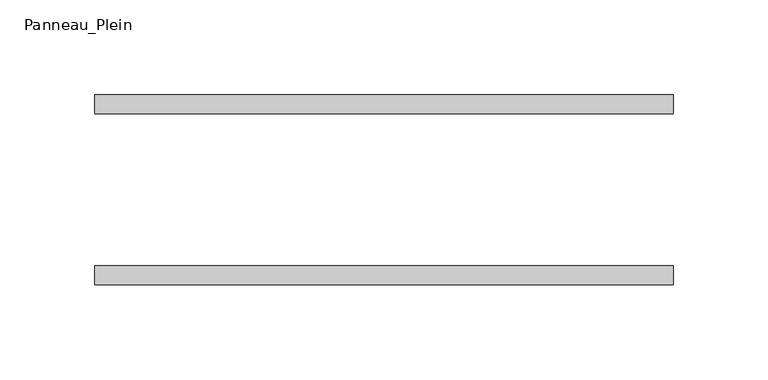
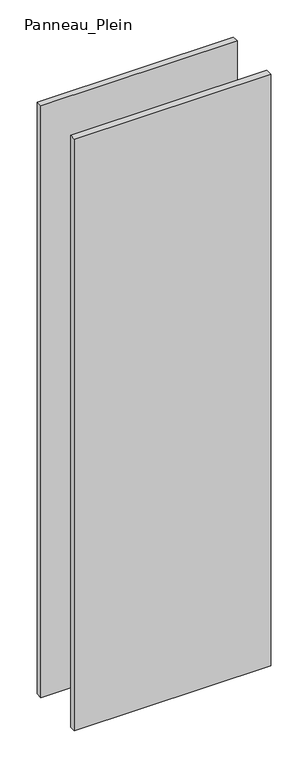
"""IFC4 building model written with IfcOpenShell, lengths in millimetres: plate geometry, Panneau_Plein."""

import ifcopenshell
import ifcopenshell.guid

model = None  # the IFC model being written
_history = None  # IfcOwnerHistory: only IFC2X3 demands one
_inside = {}  # id of a spatial element -> (the spatial element, [elements in it])
_under = {}  # id of a project, library or spatial element -> (it, [spatial elements below it])
_declared = {}  # id of a project -> (the project, [libraries it declares])
_typed = {}  # id of a type object -> (the type object, [elements of that type])
_made_of = {}  # id of a material, layer set ... -> (it, [elements and type objects made of it])


def new_model(schema):
    """Start an empty IFC model of exactly this schema.

    Asked for "IFC4X3", IfcOpenShell would pick the latest addendum, in which some entities
    have other attributes; the version numbers below select the first issue.
    IFC2X3 requires an IfcOwnerHistory on every rooted entity: one is made here for all.
    """
    global model, _history
    if schema == "IFC4X3":
        model = ifcopenshell.file(schema_version=(4, 3, 0, 0))
    else:
        model = ifcopenshell.file(schema=schema)
    _inside.clear()
    _under.clear()
    _declared.clear()
    _typed.clear()
    _made_of.clear()
    _history = None
    if model.schema == "IFC2X3":
        org = make("IfcOrganization", Name="unknown")
        user = make(
            "IfcPersonAndOrganization",
            ThePerson=make("IfcPerson", FamilyName="unknown"),
            TheOrganization=org,
        )
        app = make(
            "IfcApplication",
            ApplicationDeveloper=org,
            Version="unknown",
            ApplicationFullName="unknown",
            ApplicationIdentifier="unknown",
        )
        _history = make(
            "IfcOwnerHistory",
            OwningUser=user,
            OwningApplication=app,
            ChangeAction="ADDED",
            CreationDate=0,
        )
    return model


def make(cls, **values):
    """One entity of the class cls with the attributes given. An attribute that is None is left unset."""
    return model.create_entity(
        cls, **{name: value for name, value in values.items() if value is not None}
    )


def rooted(cls, **values):
    """An entity with a GlobalId (a new one), such as an element, a storey or a relation."""
    return make(cls, GlobalId=ifcopenshell.guid.new(), OwnerHistory=_history, **values)


def si_unit(unit_type, name, prefix=None):
    """IfcSIUnit, for example si_unit("LENGTHUNIT", "METRE", prefix="MILLI")."""
    return make("IfcSIUnit", UnitType=unit_type, Prefix=prefix, Name=name)


def assignment(units):
    """IfcUnitAssignment: the units of a project."""
    return None if units is None else make("IfcUnitAssignment", Units=units)


def point(xyz):
    """IfcCartesianPoint."""
    return None if xyz is None else make("IfcCartesianPoint", Coordinates=xyz)


def direction(xyz):
    """IfcDirection."""
    return None if xyz is None else make("IfcDirection", DirectionRatios=xyz)


def frame(location, z_axis=None, x_axis=None):
    """IfcAxis2Placement3D, a coordinate frame: its origin and axes. An axis left out is left unset."""
    return make(
        "IfcAxis2Placement3D",
        Location=point(location),
        Axis=direction(z_axis),
        RefDirection=direction(x_axis),
    )


def origin():
    """The frame at (0, 0, 0) with its axes left unset."""
    return frame((0.0, 0.0, 0.0))


def origin_with_axes():
    """The frame at (0, 0, 0) with the z axis (0, 0, 1) and the x axis (1, 0, 0) written out."""
    return frame((0.0, 0.0, 0.0), z_axis=(0.0, 0.0, 1.0), x_axis=(1.0, 0.0, 0.0))


def place(relative_to, where):
    """IfcLocalPlacement: puts the frame where relative to a parent placement (None: the world)."""
    return make(
        "IfcLocalPlacement", PlacementRelTo=relative_to, RelativePlacement=where
    )


def context(
    kind, dimensions, precision=None, world=None, true_north=None, identifier=None
):
    """IfcGeometricRepresentationContext, for example the 3D "Model" context."""
    return make(
        "IfcGeometricRepresentationContext",
        ContextIdentifier=identifier,
        ContextType=kind,
        CoordinateSpaceDimension=dimensions,
        Precision=precision,
        WorldCoordinateSystem=world,
        TrueNorth=true_north,
    )


def project(units=None, contexts=None):
    """IfcProject with its units and contexts."""
    return rooted(
        "IfcProject",
        Name="project",
        RepresentationContexts=contexts,
        UnitsInContext=assignment(units),
    )


def spatial(cls, under=None, at=None, **own):
    """A site, building, storey or space (cls), placed at a placement, below another one or the project."""
    s = rooted(cls, ObjectPlacement=at, **own)
    if under is not None:
        _under.setdefault(under.id(), (under, []))[1].append(s)
    return s


def polyline(points):
    """IfcPolyline through the points."""
    return make("IfcPolyline", Points=[point(p) for p in points])


def outline(outer, holes=None, kind="AREA"):
    """IfcArbitraryClosedProfileDef: a profile drawn as a closed curve; with holes, ...WithVoids."""
    if holes is None:
        return make("IfcArbitraryClosedProfileDef", ProfileType=kind, OuterCurve=outer)
    return make(
        "IfcArbitraryProfileDefWithVoids",
        ProfileType=kind,
        OuterCurve=outer,
        InnerCurves=holes,
    )


def extrude(swept, where, along, depth):
    """IfcExtrudedAreaSolid: the profile swept, set in the frame where, extruded along a direction by depth."""
    return make(
        "IfcExtrudedAreaSolid",
        SweptArea=swept,
        Position=where,
        ExtrudedDirection=direction(along),
        Depth=depth,
    )


def shape(context_of_items, identifier, shape_type, items):
    """IfcShapeRepresentation: the items that make up one representation, for example the "Body"."""
    return make(
        "IfcShapeRepresentation",
        ContextOfItems=context_of_items,
        RepresentationIdentifier=identifier,
        RepresentationType=shape_type,
        Items=items,
    )


def source(mapping_origin, context_of_items, identifier, shape_type, items):
    """IfcRepresentationMap: a shape defined once, which mapped items show again and again."""
    return make(
        "IfcRepresentationMap",
        MappingOrigin=mapping_origin,
        MappedRepresentation=shape(context_of_items, identifier, shape_type, items),
    )


def transform(
    local_origin,
    x_axis=None,
    y_axis=None,
    z_axis=None,
    scale=None,
    scale2=None,
    scale3=None,
    uniform=True,
):
    """IfcCartesianTransformationOperator3D, or its non-uniform kind. x_axis, y_axis, z_axis: its Axis1, 2, 3."""
    if uniform:
        return make(
            "IfcCartesianTransformationOperator3D",
            Axis1=direction(x_axis),
            Axis2=direction(y_axis),
            LocalOrigin=point(local_origin),
            Scale=scale,
            Axis3=direction(z_axis),
        )
    return make(
        "IfcCartesianTransformationOperator3DnonUniform",
        Axis1=direction(x_axis),
        Axis2=direction(y_axis),
        LocalOrigin=point(local_origin),
        Scale=scale,
        Axis3=direction(z_axis),
        Scale2=scale2,
        Scale3=scale3,
    )


def mapped(mapping_source, mapping_target):
    """IfcMappedItem: shows the shape of a source again, moved by a transform."""
    return make(
        "IfcMappedItem", MappingSource=mapping_source, MappingTarget=mapping_target
    )


def made_of(thing, what):
    """Note that an element or type object is made of a material, layer set ...; save() writes the relation."""
    if what is not None:
        _made_of.setdefault(what.id(), (what, []))[1].append(thing)
    return thing


def element(
    cls,
    number,
    at=None,
    inside=None,
    cuts=None,
    type_object=None,
    material=None,
    context=None,
    identifier="Body",
    shape_type=None,
    held_by="IfcProductDefinitionShape",
    body=None,
    shapes=None,
    **own,
):
    """One element of the class cls, such as IfcWall. Its Tag is "e" and its number.

    at: its placement. inside: the storey or other place that contains it. cuts: it is an
    opening in that element (IfcRelVoidsElement). A single representation is given by context,
    identifier, shape_type and body (its items); several are given by shapes. held_by: the class
    of the entity that holds the representations. save() writes the other relations.
    """
    e = rooted(cls, Tag="e%d" % number, ObjectPlacement=at, **own)
    if body is not None:
        shapes = [shape(context, identifier, shape_type, body)]
    if shapes is not None:
        e.Representation = make(held_by, Representations=shapes)
    if inside is not None:
        _inside.setdefault(inside.id(), (inside, []))[1].append(e)
    if cuts is not None:
        rooted(
            "IfcRelVoidsElement", RelatingBuildingElement=cuts, RelatedOpeningElement=e
        )
    if type_object is not None:
        _typed.setdefault(type_object.id(), (type_object, []))[1].append(e)
    return made_of(e, material)


def aggregate(whole, parts):
    """IfcRelAggregates: a whole, such as a stair, and the parts it consists of."""
    return rooted("IfcRelAggregates", RelatingObject=whole, RelatedObjects=parts)


def save(model, path):
    """Write the relations noted so far, then the file.

    IfcRelAggregates (storeys below a building ...), IfcRelContainedInSpatialStructure (elements
    in a storey), IfcRelDefinesByType, IfcRelAssociatesMaterial and IfcRelDeclares: one each for
    every whole, place, type object, material and project.
    """
    for whole, parts in _under.values():
        aggregate(whole, parts)
    for where, things in _inside.values():
        rooted(
            "IfcRelContainedInSpatialStructure",
            RelatedElements=things,
            RelatingStructure=where,
        )
    for kind, things in _typed.values():
        rooted("IfcRelDefinesByType", RelatedObjects=things, RelatingType=kind)
    for what, things in _made_of.values():
        rooted("IfcRelAssociatesMaterial", RelatedObjects=things, RelatingMaterial=what)
    for by, libraries in _declared.values():
        rooted("IfcRelDeclares", RelatingContext=by, RelatedDefinitions=libraries)
    model.write(path)


def panneau_plein_84d7ac02(model_context):
    return source(origin(), model_context, "Body", "SweptSolid", [
        extrude(outline(polyline([(152.2777546, 50.0), (152.2777546, 40.0), (-152.2777546, 40.0), (-152.2777546, 50.0), (152.2777546, 50.0)])), origin_with_axes(), (0.0, 0.0, 1.0), 971.1805856),
        extrude(outline(polyline([(152.2777546, -40.0), (152.2777546, -50.0), (-152.2777546, -50.0), (-152.2777546, -40.0), (152.2777546, -40.0)])), origin_with_axes(), (0.0, 0.0, 1.0), 971.1805856),
    ])


if __name__ == "__main__":
    model = new_model("IFC4")
    model_context = context("Model", 3, world=origin())
    ifc_project = project(units=[si_unit("LENGTHUNIT", "METRE", prefix="MILLI")], contexts=[model_context])
    site = spatial("IfcSite", under=ifc_project)
    building = spatial("IfcBuilding", under=site)
    placement = place(None, origin())
    panneau_plein_shape = panneau_plein_84d7ac02(model_context)
    element("IfcPlate", 1, ObjectType="Panneau_Plein", at=placement, inside=building, context=model_context, shape_type="MappedRepresentation", body=[
        mapped(panneau_plein_shape, transform((0.0, 0.0, 0.0), x_axis=(1.0, 0.0, 0.0), y_axis=(0.0, 1.0, 0.0), z_axis=(0.0, 0.0, 1.0))),
    ])
    save(model, "model.ifc")
